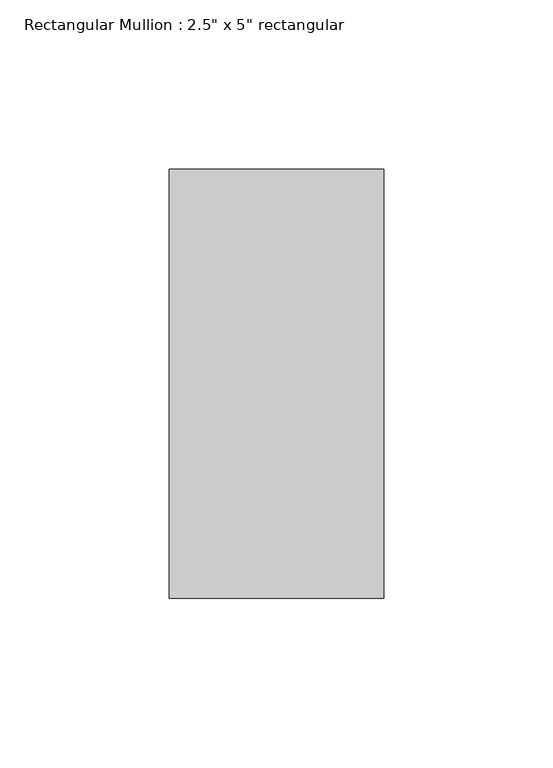
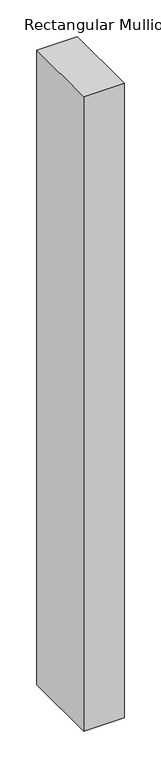
"""IFC4 building model written with IfcOpenShell, lengths in millimetres: member geometry."""

from ifc_helpers import new_model, si_unit, frame, origin, place, context, project, spatial, polyline, outline, extrude, source, transform, mapped, element, save


def member_2311abc9(model_context):
    return source(origin(), model_context, "Body", "SweptSolid", [
        extrude(outline(polyline([(0.0, 63.5), (0.0, -63.5), (-63.5, -63.5), (-63.5, 63.5), (0.0, 63.5)])), frame((0.0, 0.0, -1051.8365026), z_axis=(0.0, 0.0, 1.0), x_axis=(1.0, 0.0, 0.0)), (0.0, 0.0, 1.0), 1051.8365026),
    ])


if __name__ == "__main__":
    model = new_model("IFC4")
    model_context = context("Model", 3, world=origin())
    ifc_project = project(units=[si_unit("LENGTHUNIT", "METRE", prefix="MILLI")], contexts=[model_context])
    site = spatial("IfcSite", under=ifc_project)
    building = spatial("IfcBuilding", under=site)
    placement = place(None, origin())
    member_shape = member_2311abc9(model_context)
    element("IfcMember", 1, ObjectType="Rectangular Mullion : 2.5\" x 5\" rectangular", at=placement, inside=building, context=model_context, shape_type="MappedRepresentation", body=[
        mapped(member_shape, transform((0.0, 0.0, 0.0), x_axis=(1.0, 0.0, 0.0), y_axis=(0.0, 1.0, 0.0), z_axis=(0.0, 0.0, 1.0))),
    ])
    save(model, "model.ifc")
